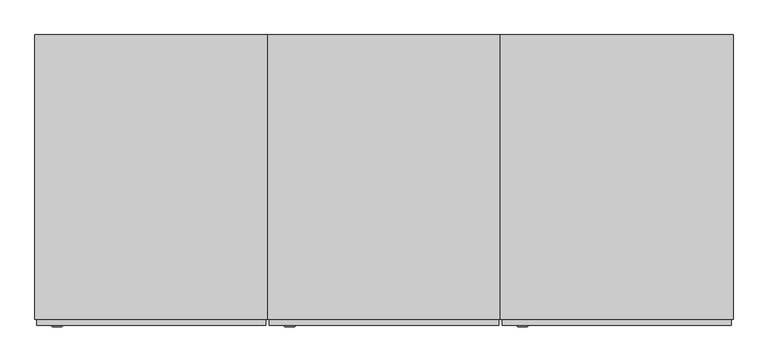
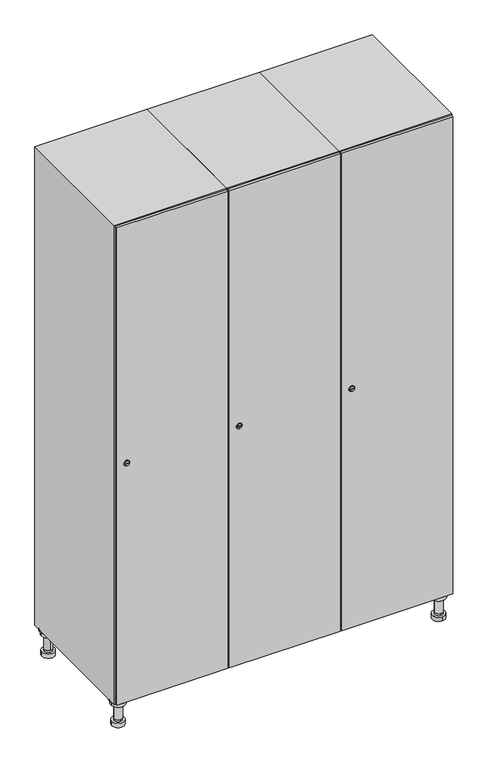
"""IFC4 building model written with IfcOpenShell, lengths in millimetres: furniture geometry."""

from ifc_helpers import new_model, si_unit, point, frame, frame_2d, origin, place, context, project, spatial, polyline, circle_curve, trimmed, segment, composite_curve, outline, extrude, faceted_brep, source, transform, mapped, element, save
from ifc_brep_helpers import plane_surface, cylinder_surface, revolved_surface, advanced_brep


def furniture_90be8033(model_context):
    return source(origin(), model_context, "Body", "SolidModel", [
        advanced_brep(
        [(970.0, -201.0, 22.0), (970.0, -201.5, 16.0), (970.0, -228.5, 16.0), (970.0, -229.0, 22.0), (956.0, -215.0, 22.0), (984.0, -215.0, 22.0), (970.0, -192.5, 16.0), (970.0, -237.5, 16.0), (970.0, -192.5, 0.0), (970.0, -237.5, 0.0), (984.0, -215.0, 78.0), (956.0, -215.0, 78.0), (995.0, -215.0, 78.0), (945.0, -215.0, 78.0), (1000.0, -215.0, 94.0), (940.0, -215.0, 94.0), (945.0, -215.0, 94.0), (995.0, -215.0, 94.0), (1000.0, -215.0, 100.0), (940.0, -215.0, 100.0)],
        [
            (0, 1),
            (1, 2, circle_curve(frame((970.0, -215.0, 16.0), z_axis=(0.0, 0.0, 1.0), x_axis=(0.0, -1.0, 0.0)), 13.5)),
            (2, 3),
            (3, 4, circle_curve(frame((970.0, -215.0, 22.0), z_axis=(0.0, 0.0, -1.0), x_axis=(0.0, -1.0, 0.0)), 14.0)),
            (4, 0, circle_curve(frame((970.0, -215.0, 22.0), z_axis=(0.0, 0.0, -1.0), x_axis=(0.0, -1.0, 0.0)), 14.0)),
            (0, 5, circle_curve(frame((970.0, -215.0, 22.0), z_axis=(0.0, 0.0, -1.0), x_axis=(0.0, 1.0, 0.0)), 14.0)),
            (5, 3, circle_curve(frame((970.0, -215.0, 22.0), z_axis=(0.0, 0.0, -1.0), x_axis=(0.0, 1.0, 0.0)), 14.0)),
            (2, 1, circle_curve(frame((970.0, -215.0, 16.0), z_axis=(0.0, 0.0, 1.0), x_axis=(0.0, 1.0, 0.0)), 13.5)),
            (6, 7, circle_curve(frame((970.0, -215.0, 16.0), z_axis=(0.0, 0.0, 1.0), x_axis=(0.0, -1.0, 0.0)), 22.5)),
            (7, 6, circle_curve(frame((970.0, -215.0, 16.0), z_axis=(0.0, 0.0, 1.0), x_axis=(0.0, -1.0, 0.0)), 22.5)),
            (8, 9, circle_curve(frame((970.0, -215.0, 0.0), z_axis=(0.0, 0.0, -1.0), x_axis=(0.0, -1.0, 0.0)), 22.5)),
            (9, 8, circle_curve(frame((970.0, -215.0, 0.0), z_axis=(0.0, 0.0, -1.0), x_axis=(0.0, -1.0, 0.0)), 22.5)),
            (6, 8),
            (9, 7),
            (5, 10),
            (10, 11, circle_curve(frame((970.0, -215.0, 78.0), z_axis=(0.0, 0.0, -1.0), x_axis=(-1.0, 0.0, 0.0)), 14.0)),
            (11, 4),
            (11, 10, circle_curve(frame((970.0, -215.0, 78.0), z_axis=(0.0, 0.0, -1.0), x_axis=(-1.0, 0.0, 0.0)), 14.0)),
            (12, 13, circle_curve(frame((970.0, -215.0, 78.0), z_axis=(0.0, 0.0, -1.0), x_axis=(-1.0, 0.0, 0.0)), 25.0)),
            (13, 12, circle_curve(frame((970.0, -215.0, 78.0), z_axis=(0.0, 0.0, -1.0), x_axis=(-1.0, 0.0, 0.0)), 25.0)),
            (14, 15, circle_curve(frame((970.0, -215.0, 94.0), z_axis=(0.0, 0.0, -1.0), x_axis=(-1.0, 0.0, 0.0)), 30.0)),
            (15, 14, circle_curve(frame((970.0, -215.0, 94.0), z_axis=(0.0, 0.0, -1.0), x_axis=(-1.0, 0.0, 0.0)), 30.0)),
            (16, 17, circle_curve(frame((970.0, -215.0, 94.0), z_axis=(0.0, 0.0, 1.0), x_axis=(-1.0, 0.0, 0.0)), 25.0)),
            (17, 16, circle_curve(frame((970.0, -215.0, 94.0), z_axis=(0.0, 0.0, 1.0), x_axis=(-1.0, 0.0, 0.0)), 25.0)),
            (18, 19, circle_curve(frame((970.0, -215.0, 100.0), z_axis=(0.0, 0.0, 1.0), x_axis=(-1.0, 0.0, 0.0)), 30.0)),
            (19, 18, circle_curve(frame((970.0, -215.0, 100.0), z_axis=(0.0, 0.0, 1.0), x_axis=(-1.0, 0.0, 0.0)), 30.0)),
            (14, 18),
            (19, 15),
            (12, 17),
            (16, 13),
        ],
        [
            revolved_surface(polyline([(970.0, -201.5, 16.0), (970.0, -201.0, 22.0)]), (970.0, -215.0, -146.0), (0.0, 0.0, 1.0)),
            plane_surface(frame((970.0, 0.0, 16.0), z_axis=(0.0, 0.0, 1.0), x_axis=(0.0, -1.0, 0.0))),
            plane_surface(frame((970.0, 0.0, 0.0), z_axis=(0.0, 0.0, -1.0), x_axis=(0.0, -1.0, 0.0))),
            cylinder_surface(frame((970.0, -215.0, 16.0), z_axis=(0.0, 0.0, 1.0), x_axis=(0.0, -1.0, 0.0)), 22.5),
            cylinder_surface(frame((970.0, -215.0, 22.0), z_axis=(0.0, 0.0, -1.0), x_axis=(-1.0, 0.0, 0.0)), 14.0),
            plane_surface(frame((970.0, 0.0, 78.0), z_axis=(0.0, 0.0, -1.0), x_axis=(0.0, -1.0, 0.0))),
            plane_surface(frame((970.0, 0.0, 94.0), z_axis=(0.0, 0.0, -1.0), x_axis=(0.0, -1.0, 0.0))),
            plane_surface(frame((970.0, 0.0, 100.0), z_axis=(0.0, 0.0, 1.0), x_axis=(0.0, -1.0, 0.0))),
            cylinder_surface(frame((970.0, -215.0, 94.0), z_axis=(0.0, 0.0, -1.0), x_axis=(-1.0, 0.0, 0.0)), 30.0),
            cylinder_surface(frame((970.0, -215.0, 78.0), z_axis=(0.0, 0.0, -1.0), x_axis=(-1.0, 0.0, 0.0)), 25.0),
        ],
        [
            (0, [[1, 2, 3, 4, 5]]),
            (0, [[-1, 6, 7, -3, 8]]),
            (1, [[9, 10], [-2, -8]]),
            (2, [[11, 12]]),
            (3, [[-9, 13, -12, 14]]),
            (3, [[-10, -14, -11, -13]]),
            (4, [[15, 16, 17, -4, -7]]),
            (4, [[-15, -6, -5, -17, 18]]),
            (5, [[19, 20], [-16, -18]]),
            (6, [[21, 22], [23, 24]]),
            (7, [[25, 26]]),
            (8, [[-21, 27, -26, 28]]),
            (8, [[-22, -28, -25, -27]]),
            (9, [[-19, 29, -23, 30]]),
            (9, [[-20, -30, -24, -29]]),
        ],
    ),
        advanced_brep(
        [(-170.0, -201.0, 22.0), (-170.0, -201.5, 16.0), (-170.0, -228.5, 16.0), (-170.0, -229.0, 22.0), (-184.0, -215.0, 22.0), (-156.0, -215.0, 22.0), (-147.5, -215.0, 0.0), (-192.5, -215.0, 0.0), (-147.5, -215.0, 16.0), (-192.5, -215.0, 16.0), (-156.0, -215.0, 78.0), (-184.0, -215.0, 78.0), (-145.0, -215.0, 78.0), (-195.0, -215.0, 78.0), (-140.0, -215.0, 94.0), (-200.0, -215.0, 94.0), (-195.0, -215.0, 94.0), (-145.0, -215.0, 94.0), (-140.0, -215.0, 100.0), (-200.0, -215.0, 100.0)],
        [
            (0, 1),
            (1, 2, circle_curve(frame((-170.0, -215.0, 16.0), z_axis=(0.0, 0.0, 1.0), x_axis=(0.0, -1.0, 0.0)), 13.5)),
            (2, 3),
            (3, 4, circle_curve(frame((-170.0, -215.0, 22.0), z_axis=(0.0, 0.0, -1.0), x_axis=(0.0, -1.0, 0.0)), 14.0)),
            (4, 0, circle_curve(frame((-170.0, -215.0, 22.0), z_axis=(0.0, 0.0, -1.0), x_axis=(0.0, -1.0, 0.0)), 14.0)),
            (0, 5, circle_curve(frame((-170.0, -215.0, 22.0), z_axis=(0.0, 0.0, -1.0), x_axis=(0.0, 1.0, 0.0)), 14.0)),
            (5, 3, circle_curve(frame((-170.0, -215.0, 22.0), z_axis=(0.0, 0.0, -1.0), x_axis=(0.0, 1.0, 0.0)), 14.0)),
            (2, 1, circle_curve(frame((-170.0, -215.0, 16.0), z_axis=(0.0, 0.0, 1.0), x_axis=(0.0, 1.0, 0.0)), 13.5)),
            (6, 7, circle_curve(frame((-170.0, -215.0, 0.0), z_axis=(0.0, 0.0, -1.0), x_axis=(-1.0, 0.0, 0.0)), 22.5)),
            (7, 6, circle_curve(frame((-170.0, -215.0, 0.0), z_axis=(0.0, 0.0, -1.0), x_axis=(-1.0, 0.0, 0.0)), 22.5)),
            (8, 9, circle_curve(frame((-170.0, -215.0, 16.0), z_axis=(0.0, 0.0, 1.0), x_axis=(-1.0, 0.0, 0.0)), 22.5)),
            (9, 8, circle_curve(frame((-170.0, -215.0, 16.0), z_axis=(0.0, 0.0, 1.0), x_axis=(-1.0, 0.0, 0.0)), 22.5)),
            (6, 8),
            (9, 7),
            (5, 10),
            (10, 11, circle_curve(frame((-170.0, -215.0, 78.0), z_axis=(0.0, 0.0, -1.0), x_axis=(-1.0, 0.0, 0.0)), 14.0)),
            (11, 4),
            (11, 10, circle_curve(frame((-170.0, -215.0, 78.0), z_axis=(0.0, 0.0, -1.0), x_axis=(-1.0, 0.0, 0.0)), 14.0)),
            (12, 13, circle_curve(frame((-170.0, -215.0, 78.0), z_axis=(0.0, 0.0, -1.0), x_axis=(-1.0, 0.0, 0.0)), 25.0)),
            (13, 12, circle_curve(frame((-170.0, -215.0, 78.0), z_axis=(0.0, 0.0, -1.0), x_axis=(-1.0, 0.0, 0.0)), 25.0)),
            (14, 15, circle_curve(frame((-170.0, -215.0, 94.0), z_axis=(0.0, 0.0, -1.0), x_axis=(-1.0, 0.0, 0.0)), 30.0)),
            (15, 14, circle_curve(frame((-170.0, -215.0, 94.0), z_axis=(0.0, 0.0, -1.0), x_axis=(-1.0, 0.0, 0.0)), 30.0)),
            (16, 17, circle_curve(frame((-170.0, -215.0, 94.0), z_axis=(0.0, 0.0, 1.0), x_axis=(-1.0, 0.0, 0.0)), 25.0)),
            (17, 16, circle_curve(frame((-170.0, -215.0, 94.0), z_axis=(0.0, 0.0, 1.0), x_axis=(-1.0, 0.0, 0.0)), 25.0)),
            (18, 19, circle_curve(frame((-170.0, -215.0, 100.0), z_axis=(0.0, 0.0, 1.0), x_axis=(-1.0, 0.0, 0.0)), 30.0)),
            (19, 18, circle_curve(frame((-170.0, -215.0, 100.0), z_axis=(0.0, 0.0, 1.0), x_axis=(-1.0, 0.0, 0.0)), 30.0)),
            (14, 18),
            (19, 15),
            (12, 17),
            (16, 13),
        ],
        [
            revolved_surface(polyline([(-170.0, -201.5, 16.0), (-170.0, -201.0, 22.0)]), (-170.0, -215.0, -146.0), (0.0, 0.0, 1.0)),
            plane_surface(frame((-170.0, 0.0, 0.0), z_axis=(0.0, 0.0, -1.0), x_axis=(0.0, -1.0, 0.0))),
            plane_surface(frame((-170.0, 0.0, 16.0), z_axis=(0.0, 0.0, 1.0), x_axis=(0.0, -1.0, 0.0))),
            cylinder_surface(frame((-170.0, -215.0, 0.0), z_axis=(0.0, 0.0, -1.0), x_axis=(-1.0, 0.0, 0.0)), 22.5),
            cylinder_surface(frame((-170.0, -215.0, 22.0), z_axis=(0.0, 0.0, -1.0), x_axis=(-1.0, 0.0, 0.0)), 14.0),
            plane_surface(frame((-170.0, 0.0, 78.0), z_axis=(0.0, 0.0, -1.0), x_axis=(0.0, -1.0, 0.0))),
            plane_surface(frame((-170.0, 0.0, 94.0), z_axis=(0.0, 0.0, -1.0), x_axis=(0.0, -1.0, 0.0))),
            plane_surface(frame((-170.0, 0.0, 100.0), z_axis=(0.0, 0.0, 1.0), x_axis=(0.0, -1.0, 0.0))),
            cylinder_surface(frame((-170.0, -215.0, 94.0), z_axis=(0.0, 0.0, -1.0), x_axis=(-1.0, 0.0, 0.0)), 30.0),
            cylinder_surface(frame((-170.0, -215.0, 78.0), z_axis=(0.0, 0.0, -1.0), x_axis=(-1.0, 0.0, 0.0)), 25.0),
        ],
        [
            (0, [[1, 2, 3, 4, 5]]),
            (0, [[-1, 6, 7, -3, 8]]),
            (1, [[9, 10]]),
            (2, [[11, 12], [-2, -8]]),
            (3, [[-9, 13, -12, 14]]),
            (3, [[-10, -14, -11, -13]]),
            (4, [[15, 16, 17, -4, -7]]),
            (4, [[-15, -6, -5, -17, 18]]),
            (5, [[19, 20], [-16, -18]]),
            (6, [[21, 22], [23, 24]]),
            (7, [[25, 26]]),
            (8, [[-21, 27, -26, 28]]),
            (8, [[-22, -28, -25, -27]]),
            (9, [[-19, 29, -23, 30]]),
            (9, [[-20, -30, -24, -29]]),
        ],
    ),
        advanced_brep(
        [(983.5, 215.0, 16.0), (984.0, 215.0, 22.0), (956.0, 215.0, 22.0), (956.5, 215.0, 16.0), (992.5, 215.0, 0.0), (947.5, 215.0, 0.0), (992.5, 215.0, 16.0), (947.5, 215.0, 16.0), (984.0, 215.0, 78.0), (956.0, 215.0, 78.0), (995.0, 215.0, 78.0), (945.0, 215.0, 78.0), (1000.0, 215.0, 94.0), (940.0, 215.0, 94.0), (945.0, 215.0, 94.0), (995.0, 215.0, 94.0), (1000.0, 215.0, 100.0), (940.0, 215.0, 100.0)],
        [
            (0, 1),
            (1, 2, circle_curve(frame((970.0, 215.0, 22.0), z_axis=(0.0, 0.0, -1.0), x_axis=(-1.0, 0.0, 0.0)), 14.0)),
            (2, 3),
            (3, 0, circle_curve(frame((970.0, 215.0, 16.0), z_axis=(0.0, 0.0, 1.0), x_axis=(-1.0, 0.0, 0.0)), 13.5)),
            (0, 3, circle_curve(frame((970.0, 215.0, 16.0), z_axis=(0.0, 0.0, 1.0), x_axis=(1.0, 0.0, 0.0)), 13.5)),
            (2, 1, circle_curve(frame((970.0, 215.0, 22.0), z_axis=(0.0, 0.0, -1.0), x_axis=(1.0, 0.0, 0.0)), 14.0)),
            (4, 5, circle_curve(frame((970.0, 215.0, 0.0), z_axis=(0.0, 0.0, -1.0), x_axis=(-1.0, 0.0, 0.0)), 22.5)),
            (5, 4, circle_curve(frame((970.0, 215.0, 0.0), z_axis=(0.0, 0.0, -1.0), x_axis=(-1.0, 0.0, 0.0)), 22.5)),
            (6, 7, circle_curve(frame((970.0, 215.0, 16.0), z_axis=(0.0, 0.0, 1.0), x_axis=(-1.0, 0.0, 0.0)), 22.5)),
            (7, 6, circle_curve(frame((970.0, 215.0, 16.0), z_axis=(0.0, 0.0, 1.0), x_axis=(-1.0, 0.0, 0.0)), 22.5)),
            (4, 6),
            (7, 5),
            (1, 8),
            (8, 9, circle_curve(frame((970.0, 215.0, 78.0), z_axis=(0.0, 0.0, -1.0), x_axis=(-1.0, 0.0, 0.0)), 14.0)),
            (9, 2),
            (9, 8, circle_curve(frame((970.0, 215.0, 78.0), z_axis=(0.0, 0.0, -1.0), x_axis=(-1.0, 0.0, 0.0)), 14.0)),
            (10, 11, circle_curve(frame((970.0, 215.0, 78.0), z_axis=(0.0, 0.0, -1.0), x_axis=(-1.0, 0.0, 0.0)), 25.0)),
            (11, 10, circle_curve(frame((970.0, 215.0, 78.0), z_axis=(0.0, 0.0, -1.0), x_axis=(-1.0, 0.0, 0.0)), 25.0)),
            (12, 13, circle_curve(frame((970.0, 215.0, 94.0), z_axis=(0.0, 0.0, -1.0), x_axis=(-1.0, 0.0, 0.0)), 30.0)),
            (13, 12, circle_curve(frame((970.0, 215.0, 94.0), z_axis=(0.0, 0.0, -1.0), x_axis=(-1.0, 0.0, 0.0)), 30.0)),
            (14, 15, circle_curve(frame((970.0, 215.0, 94.0), z_axis=(0.0, 0.0, 1.0), x_axis=(-1.0, 0.0, 0.0)), 25.0)),
            (15, 14, circle_curve(frame((970.0, 215.0, 94.0), z_axis=(0.0, 0.0, 1.0), x_axis=(-1.0, 0.0, 0.0)), 25.0)),
            (16, 17, circle_curve(frame((970.0, 215.0, 100.0), z_axis=(0.0, 0.0, 1.0), x_axis=(-1.0, 0.0, 0.0)), 30.0)),
            (17, 16, circle_curve(frame((970.0, 215.0, 100.0), z_axis=(0.0, 0.0, 1.0), x_axis=(-1.0, 0.0, 0.0)), 30.0)),
            (12, 16),
            (17, 13),
            (10, 15),
            (14, 11),
        ],
        [
            revolved_surface(polyline([(983.5, 215.0, 16.0), (984.0, 215.0, 22.0)]), (970.0, 215.0, -146.0), (0.0, 0.0, 1.0)),
            plane_surface(frame((970.0, 0.0, 0.0), z_axis=(0.0, 0.0, -1.0), x_axis=(0.0, -1.0, 0.0))),
            plane_surface(frame((970.0, 0.0, 16.0), z_axis=(0.0, 0.0, 1.0), x_axis=(0.0, -1.0, 0.0))),
            cylinder_surface(frame((970.0, 215.0, 0.0), z_axis=(0.0, 0.0, -1.0), x_axis=(-1.0, 0.0, 0.0)), 22.5),
            cylinder_surface(frame((970.0, 215.0, 22.0), z_axis=(0.0, 0.0, -1.0), x_axis=(-1.0, 0.0, 0.0)), 14.0),
            plane_surface(frame((970.0, 0.0, 78.0), z_axis=(0.0, 0.0, -1.0), x_axis=(0.0, -1.0, 0.0))),
            plane_surface(frame((970.0, 0.0, 94.0), z_axis=(0.0, 0.0, -1.0), x_axis=(0.0, -1.0, 0.0))),
            plane_surface(frame((970.0, 0.0, 100.0), z_axis=(0.0, 0.0, 1.0), x_axis=(0.0, -1.0, 0.0))),
            cylinder_surface(frame((970.0, 215.0, 94.0), z_axis=(0.0, 0.0, -1.0), x_axis=(-1.0, 0.0, 0.0)), 30.0),
            cylinder_surface(frame((970.0, 215.0, 78.0), z_axis=(0.0, 0.0, -1.0), x_axis=(-1.0, 0.0, 0.0)), 25.0),
        ],
        [
            (0, [[1, 2, 3, 4]]),
            (0, [[-1, 5, -3, 6]]),
            (1, [[7, 8]]),
            (2, [[9, 10], [-4, -5]]),
            (3, [[-7, 11, -10, 12]]),
            (3, [[-8, -12, -9, -11]]),
            (4, [[13, 14, 15, -2]]),
            (4, [[-13, -6, -15, 16]]),
            (5, [[17, 18], [-14, -16]]),
            (6, [[19, 20], [21, 22]]),
            (7, [[23, 24]]),
            (8, [[-19, 25, -24, 26]]),
            (8, [[-20, -26, -23, -25]]),
            (9, [[-17, 27, -21, 28]]),
            (9, [[-18, -28, -22, -27]]),
        ],
    ),
        advanced_brep(
        [(-156.5, 215.0, 16.0), (-156.0, 215.0, 22.0), (-170.0, 201.0, 22.0), (-184.0, 215.0, 22.0), (-183.5, 215.0, 16.0), (-170.0, 229.0, 22.0), (-147.5, 215.0, 0.0), (-192.5, 215.0, 0.0), (-147.5, 215.0, 16.0), (-192.5, 215.0, 16.0), (-170.0, 229.0, 78.0), (-170.0, 201.0, 78.0), (-145.0, 215.0, 78.0), (-195.0, 215.0, 78.0), (-140.0, 215.0, 94.0), (-200.0, 215.0, 94.0), (-195.0, 215.0, 94.0), (-145.0, 215.0, 94.0), (-140.0, 215.0, 100.0), (-200.0, 215.0, 100.0)],
        [
            (0, 1),
            (1, 2, circle_curve(frame((-170.0, 215.0, 22.0), z_axis=(0.0, 0.0, -1.0), x_axis=(-1.0, 0.0, 0.0)), 14.0)),
            (2, 3, circle_curve(frame((-170.0, 215.0, 22.0), z_axis=(0.0, 0.0, -1.0), x_axis=(-1.0, 0.0, 0.0)), 14.0)),
            (3, 4),
            (4, 0, circle_curve(frame((-170.0, 215.0, 16.0), z_axis=(0.0, 0.0, 1.0), x_axis=(-1.0, 0.0, 0.0)), 13.5)),
            (0, 4, circle_curve(frame((-170.0, 215.0, 16.0), z_axis=(0.0, 0.0, 1.0), x_axis=(1.0, 0.0, 0.0)), 13.5)),
            (3, 5, circle_curve(frame((-170.0, 215.0, 22.0), z_axis=(0.0, 0.0, -1.0), x_axis=(1.0, 0.0, 0.0)), 14.0)),
            (5, 1, circle_curve(frame((-170.0, 215.0, 22.0), z_axis=(0.0, 0.0, -1.0), x_axis=(1.0, 0.0, 0.0)), 14.0)),
            (6, 7, circle_curve(frame((-170.0, 215.0, 0.0), z_axis=(0.0, 0.0, -1.0), x_axis=(-1.0, 0.0, 0.0)), 22.5)),
            (7, 6, circle_curve(frame((-170.0, 215.0, 0.0), z_axis=(0.0, 0.0, -1.0), x_axis=(-1.0, 0.0, 0.0)), 22.5)),
            (8, 9, circle_curve(frame((-170.0, 215.0, 16.0), z_axis=(0.0, 0.0, 1.0), x_axis=(-1.0, 0.0, 0.0)), 22.5)),
            (9, 8, circle_curve(frame((-170.0, 215.0, 16.0), z_axis=(0.0, 0.0, 1.0), x_axis=(-1.0, 0.0, 0.0)), 22.5)),
            (6, 8),
            (9, 7),
            (10, 5),
            (2, 11),
            (11, 10, circle_curve(frame((-170.0, 215.0, 78.0), z_axis=(0.0, 0.0, -1.0), x_axis=(0.0, -1.0, 0.0)), 14.0)),
            (10, 11, circle_curve(frame((-170.0, 215.0, 78.0), z_axis=(0.0, 0.0, -1.0), x_axis=(0.0, -1.0, 0.0)), 14.0)),
            (12, 13, circle_curve(frame((-170.0, 215.0, 78.0), z_axis=(0.0, 0.0, -1.0), x_axis=(-1.0, 0.0, 0.0)), 25.0)),
            (13, 12, circle_curve(frame((-170.0, 215.0, 78.0), z_axis=(0.0, 0.0, -1.0), x_axis=(-1.0, 0.0, 0.0)), 25.0)),
            (14, 15, circle_curve(frame((-170.0, 215.0, 94.0), z_axis=(0.0, 0.0, -1.0), x_axis=(-1.0, 0.0, 0.0)), 30.0)),
            (15, 14, circle_curve(frame((-170.0, 215.0, 94.0), z_axis=(0.0, 0.0, -1.0), x_axis=(-1.0, 0.0, 0.0)), 30.0)),
            (16, 17, circle_curve(frame((-170.0, 215.0, 94.0), z_axis=(0.0, 0.0, 1.0), x_axis=(-1.0, 0.0, 0.0)), 25.0)),
            (17, 16, circle_curve(frame((-170.0, 215.0, 94.0), z_axis=(0.0, 0.0, 1.0), x_axis=(-1.0, 0.0, 0.0)), 25.0)),
            (18, 19, circle_curve(frame((-170.0, 215.0, 100.0), z_axis=(0.0, 0.0, 1.0), x_axis=(-1.0, 0.0, 0.0)), 30.0)),
            (19, 18, circle_curve(frame((-170.0, 215.0, 100.0), z_axis=(0.0, 0.0, 1.0), x_axis=(-1.0, 0.0, 0.0)), 30.0)),
            (14, 18),
            (19, 15),
            (12, 17),
            (16, 13),
        ],
        [
            revolved_surface(polyline([(-156.5, 215.0, 16.0), (-156.0, 215.0, 22.0)]), (-170.0, 215.0, -146.0), (0.0, 0.0, 1.0)),
            plane_surface(frame((-170.0, 0.0, 0.0), z_axis=(0.0, 0.0, -1.0), x_axis=(0.0, -1.0, 0.0))),
            plane_surface(frame((-170.0, 0.0, 16.0), z_axis=(0.0, 0.0, 1.0), x_axis=(0.0, -1.0, 0.0))),
            cylinder_surface(frame((-170.0, 215.0, 0.0), z_axis=(0.0, 0.0, -1.0), x_axis=(-1.0, 0.0, 0.0)), 22.5),
            cylinder_surface(frame((-170.0, 215.0, 78.0), z_axis=(0.0, 0.0, 1.0), x_axis=(0.0, -1.0, 0.0)), 14.0),
            plane_surface(frame((-170.0, 0.0, 78.0), z_axis=(0.0, 0.0, -1.0), x_axis=(0.0, -1.0, 0.0))),
            plane_surface(frame((-170.0, 0.0, 94.0), z_axis=(0.0, 0.0, -1.0), x_axis=(0.0, -1.0, 0.0))),
            plane_surface(frame((-170.0, 0.0, 100.0), z_axis=(0.0, 0.0, 1.0), x_axis=(0.0, -1.0, 0.0))),
            cylinder_surface(frame((-170.0, 215.0, 94.0), z_axis=(0.0, 0.0, -1.0), x_axis=(-1.0, 0.0, 0.0)), 30.0),
            cylinder_surface(frame((-170.0, 215.0, 78.0), z_axis=(0.0, 0.0, -1.0), x_axis=(-1.0, 0.0, 0.0)), 25.0),
        ],
        [
            (0, [[1, 2, 3, 4, 5]]),
            (0, [[-1, 6, -4, 7, 8]]),
            (1, [[9, 10]]),
            (2, [[11, 12], [-5, -6]]),
            (3, [[-9, 13, -12, 14]]),
            (3, [[-10, -14, -11, -13]]),
            (4, [[15, -7, -3, 16, 17]]),
            (4, [[-15, 18, -16, -2, -8]]),
            (5, [[19, 20], [-17, -18]]),
            (6, [[21, 22], [23, 24]]),
            (7, [[25, 26]]),
            (8, [[-21, 27, -26, 28]]),
            (8, [[-22, -28, -25, -27]]),
            (9, [[-19, 29, -23, 30]]),
            (9, [[-20, -30, -24, -29]]),
        ],
    ),
        extrude(outline(composite_curve([segment(trimmed(circle_curve(frame_2d((1000.0, 611.2010534)), 7.0), [point((1007.0, 611.2010534))], [point((993.0, 611.2010534))], False, "CARTESIAN"), True, "CONTINUOUS"), segment(polyline([(993.0, 611.2010534), (993.0, 639.2010534)]), True, "CONTINUOUS"), segment(trimmed(circle_curve(frame_2d((1000.0, 639.2010534)), 7.0), [point((993.0, 639.2010534))], [point((1007.0, 639.2010534))], False, "CARTESIAN"), True, "CONTINUOUS"), segment(polyline([(1007.0, 639.2010534), (1007.0, 611.2010534)]), True, "CONTINUOUS")], self_intersect=False)), frame((0.0, -245.0, 0.0), z_axis=(0.0, 1.0, 0.0), x_axis=(0.0, 0.0, 1.0)), (0.0, 0.0, 1.0), 2.0),
        advanced_brep(
        [(646.5, -257.2, 1000.0), (629.5, -257.2, 1000.0), (633.0, -257.2, 998.75), (633.0, -257.2, 1001.25), (643.0, -257.2, 1001.25), (643.0, -257.2, 998.75), (648.5, -255.0, 1000.0), (627.5, -255.0, 1000.0), (633.0, -255.0, 1001.25), (633.0, -255.0, 998.75), (643.0, -255.0, 998.75), (643.0, -255.0, 1001.25)],
        [
            (0, 1, circle_curve(frame((638.0, -257.2, 1000.0), z_axis=(0.0, -1.0, 0.0), x_axis=(1.0, 0.0, 0.0)), 8.5)),
            (1, 0, circle_curve(frame((638.0, -257.2, 1000.0), z_axis=(0.0, -1.0, 0.0), x_axis=(-1.0, 0.0, 0.0)), 8.5)),
            (2, 3),
            (3, 4),
            (4, 5),
            (5, 2),
            (6, 7, circle_curve(frame((638.0, -255.0, 1000.0), z_axis=(0.0, 1.0, 0.0), x_axis=(-1.0, 0.0, 0.0)), 10.5)),
            (7, 6, circle_curve(frame((638.0, -255.0, 1000.0), z_axis=(0.0, 1.0, 0.0), x_axis=(1.0, 0.0, 0.0)), 10.5)),
            (8, 9),
            (9, 10),
            (10, 11),
            (11, 8),
            (0, 6),
            (7, 1),
            (8, 3),
            (2, 9),
            (11, 4),
            (10, 5),
        ],
        [
            plane_surface(frame((638.0, -257.2, 1000.0), z_axis=(0.0, -1.0, 0.0), x_axis=(0.0, 0.0, 1.0))),
            plane_surface(frame((638.0, -255.0, 1000.0), z_axis=(0.0, 1.0, 0.0), x_axis=(0.0, 0.0, 1.0))),
            revolved_surface(polyline([(646.5, -257.2, 1000.0), (648.5, -255.0, 1000.0)]), (638.0, -266.55, 1000.0), (0.0, 1.0, 0.0)),
            revolved_surface(polyline([(629.5, -257.2, 1000.0), (627.5, -255.0, 1000.0)]), (638.0, -266.55, 1000.0), (0.0, 1.0, 0.0)),
            plane_surface(frame((633.0, -255.0, 998.75), z_axis=(1.0, 0.0, 0.0), x_axis=(0.0, -1.0, 0.0))),
            plane_surface(frame((633.0, -255.0, 1001.25), z_axis=(0.0, 0.0, -1.0), x_axis=(0.0, -1.0, 0.0))),
            plane_surface(frame((643.0, -255.0, 1001.25), z_axis=(-1.0, 0.0, 0.0), x_axis=(0.0, -1.0, 0.0))),
            plane_surface(frame((643.0, -255.0, 998.75), z_axis=(0.0, 0.0, 1.0), x_axis=(0.0, -1.0, 0.0))),
        ],
        [
            (0, [[1, 2], [3, 4, 5, 6]]),
            (1, [[7, 8], [9, 10, 11, 12]]),
            (2, [[-1, 13, -8, 14]]),
            (3, [[-2, -14, -7, -13]]),
            (4, [[15, -3, 16, -9]]),
            (5, [[-15, -12, 17, -4]]),
            (6, [[-17, -11, 18, -5]]),
            (7, [[-16, -6, -18, -10]]),
        ],
    ),
        extrude(outline(polyline([(997.0, -245.0), (997.0, -255.0), (603.0, -255.0), (603.0, -245.0), (997.0, -245.0)])), frame((0.0, 0.0, 103.0), z_axis=(0.0, 0.0, 1.0), x_axis=(1.0, 0.0, 0.0)), (0.0, 0.0, 1.0), 1794.0),
        faceted_brep([(1000.0, -245.0, 100.0), (1000.0, -245.0, 1900.0), (600.0, -245.0, 1900.0), (600.0, -245.0, 100.0), (990.0, -245.0, 1890.0), (990.0, -245.0, 110.0), (610.0, -245.0, 110.0), (610.0, -245.0, 1890.0), (1000.0, 245.0, 100.0), (600.0, 245.0, 100.0), (1000.0, 245.0, 1900.0), (600.0, 245.0, 1900.0), (990.0, 241.0, 1890.0), (990.0, 241.0, 110.0), (600.0, 245.0, 1890.0), (610.0, 241.0, 1890.0), (610.0, 241.0, 110.0)], [[[0, 1, 2, 3], [4, 5, 6, 7]], [[8, 0, 3, 9]], [[1, 0, 8, 10]], [[1, 10, 11, 2]], [[4, 12, 13, 5]], [[9, 3, 2, 11, 14]], [[10, 8, 9, 14, 11]], [[12, 15, 16, 13]], [[15, 7, 6, 16]], [[4, 7, 15, 12]], [[6, 5, 13, 16]]]),
        extrude(outline(composite_curve([segment(trimmed(circle_curve(frame_2d((1000.0, 211.2010534)), 7.0), [point((1007.0, 211.2010534))], [point((993.0, 211.2010534))], False, "CARTESIAN"), True, "CONTINUOUS"), segment(polyline([(993.0, 211.2010534), (993.0, 239.2010534)]), True, "CONTINUOUS"), segment(trimmed(circle_curve(frame_2d((1000.0, 239.2010534)), 7.0), [point((993.0, 239.2010534))], [point((1007.0, 239.2010534))], False, "CARTESIAN"), True, "CONTINUOUS"), segment(polyline([(1007.0, 239.2010534), (1007.0, 211.2010534)]), True, "CONTINUOUS")], self_intersect=False)), frame((0.0, -245.0, 0.0), z_axis=(0.0, 1.0, 0.0), x_axis=(0.0, 0.0, 1.0)), (0.0, 0.0, 1.0), 2.0),
        advanced_brep(
        [(246.5, -257.2, 1000.0), (229.5, -257.2, 1000.0), (233.0, -257.2, 998.75), (233.0, -257.2, 1001.25), (243.0, -257.2, 1001.25), (243.0, -257.2, 998.75), (248.5, -255.0, 1000.0), (227.5, -255.0, 1000.0), (233.0, -255.0, 1001.25), (233.0, -255.0, 998.75), (243.0, -255.0, 998.75), (243.0, -255.0, 1001.25)],
        [
            (0, 1, circle_curve(frame((238.0, -257.2, 1000.0), z_axis=(0.0, -1.0, 0.0), x_axis=(1.0, 0.0, 0.0)), 8.5)),
            (1, 0, circle_curve(frame((238.0, -257.2, 1000.0), z_axis=(0.0, -1.0, 0.0), x_axis=(-1.0, 0.0, 0.0)), 8.5)),
            (2, 3),
            (3, 4),
            (4, 5),
            (5, 2),
            (6, 7, circle_curve(frame((238.0, -255.0, 1000.0), z_axis=(0.0, 1.0, 0.0), x_axis=(-1.0, 0.0, 0.0)), 10.5)),
            (7, 6, circle_curve(frame((238.0, -255.0, 1000.0), z_axis=(0.0, 1.0, 0.0), x_axis=(1.0, 0.0, 0.0)), 10.5)),
            (8, 9),
            (9, 10),
            (10, 11),
            (11, 8),
            (0, 6),
            (7, 1),
            (8, 3),
            (2, 9),
            (11, 4),
            (10, 5),
        ],
        [
            plane_surface(frame((238.0, -257.2, 1000.0), z_axis=(0.0, -1.0, 0.0), x_axis=(0.0, 0.0, 1.0))),
            plane_surface(frame((238.0, -255.0, 1000.0), z_axis=(0.0, 1.0, 0.0), x_axis=(0.0, 0.0, 1.0))),
            revolved_surface(polyline([(246.5, -257.2, 1000.0), (248.5, -255.0, 1000.0)]), (238.0, -266.55, 1000.0), (0.0, 1.0, 0.0)),
            revolved_surface(polyline([(229.5, -257.2, 1000.0), (227.5, -255.0, 1000.0)]), (238.0, -266.55, 1000.0), (0.0, 1.0, 0.0)),
            plane_surface(frame((233.0, -255.0, 998.75), z_axis=(1.0, 0.0, 0.0), x_axis=(0.0, -1.0, 0.0))),
            plane_surface(frame((233.0, -255.0, 1001.25), z_axis=(0.0, 0.0, -1.0), x_axis=(0.0, -1.0, 0.0))),
            plane_surface(frame((243.0, -255.0, 1001.25), z_axis=(-1.0, 0.0, 0.0), x_axis=(0.0, -1.0, 0.0))),
            plane_surface(frame((243.0, -255.0, 998.75), z_axis=(0.0, 0.0, 1.0), x_axis=(0.0, -1.0, 0.0))),
        ],
        [
            (0, [[1, 2], [3, 4, 5, 6]]),
            (1, [[7, 8], [9, 10, 11, 12]]),
            (2, [[-1, 13, -8, 14]]),
            (3, [[-2, -14, -7, -13]]),
            (4, [[15, -3, 16, -9]]),
            (5, [[-15, -12, 17, -4]]),
            (6, [[-17, -11, 18, -5]]),
            (7, [[-16, -6, -18, -10]]),
        ],
    ),
        extrude(outline(polyline([(597.0, -245.0), (597.0, -255.0), (203.0, -255.0), (203.0, -245.0), (597.0, -245.0)])), frame((0.0, 0.0, 103.0), z_axis=(0.0, 0.0, 1.0), x_axis=(1.0, 0.0, 0.0)), (0.0, 0.0, 1.0), 1794.0),
        faceted_brep([(600.0, -245.0, 100.0), (600.0, -245.0, 1900.0), (200.0, -245.0, 1900.0), (200.0, -245.0, 100.0), (590.0, -245.0, 1890.0), (590.0, -245.0, 110.0), (210.0, -245.0, 110.0), (210.0, -245.0, 1890.0), (600.0, 245.0, 100.0), (200.0, 245.0, 100.0), (600.0, 245.0, 1900.0), (200.0, 245.0, 1900.0), (590.0, 241.0, 1890.0), (590.0, 241.0, 110.0), (200.0, 245.0, 1890.0), (210.0, 241.0, 1890.0), (210.0, 241.0, 110.0)], [[[0, 1, 2, 3], [4, 5, 6, 7]], [[8, 0, 3, 9]], [[1, 0, 8, 10]], [[1, 10, 11, 2]], [[4, 12, 13, 5]], [[9, 3, 2, 11, 14]], [[10, 8, 9, 14, 11]], [[12, 15, 16, 13]], [[15, 7, 6, 16]], [[4, 7, 15, 12]], [[6, 5, 13, 16]]]),
        extrude(outline(composite_curve([segment(trimmed(circle_curve(frame_2d((1000.0, -188.7989466)), 7.0), [point((1007.0, -188.7989466))], [point((993.0, -188.7989466))], False, "CARTESIAN"), True, "CONTINUOUS"), segment(polyline([(993.0, -188.7989466), (993.0, -160.7989466)]), True, "CONTINUOUS"), segment(trimmed(circle_curve(frame_2d((1000.0, -160.7989466)), 7.0), [point((993.0, -160.7989466))], [point((1007.0, -160.7989466))], False, "CARTESIAN"), True, "CONTINUOUS"), segment(polyline([(1007.0, -160.7989466), (1007.0, -188.7989466)]), True, "CONTINUOUS")], self_intersect=False)), frame((0.0, -245.0, 0.0), z_axis=(0.0, 1.0, 0.0), x_axis=(0.0, 0.0, 1.0)), (0.0, 0.0, 1.0), 2.0),
        advanced_brep(
        [(-153.5, -257.2, 1000.0), (-170.5, -257.2, 1000.0), (-167.0, -257.2, 998.75), (-167.0, -257.2, 1001.25), (-157.0, -257.2, 1001.25), (-157.0, -257.2, 998.75), (-151.5, -255.0, 1000.0), (-172.5, -255.0, 1000.0), (-167.0, -255.0, 1001.25), (-167.0, -255.0, 998.75), (-157.0, -255.0, 998.75), (-157.0, -255.0, 1001.25)],
        [
            (0, 1, circle_curve(frame((-162.0, -257.2, 1000.0), z_axis=(0.0, -1.0, 0.0), x_axis=(1.0, 0.0, 0.0)), 8.5)),
            (1, 0, circle_curve(frame((-162.0, -257.2, 1000.0), z_axis=(0.0, -1.0, 0.0), x_axis=(-1.0, 0.0, 0.0)), 8.5)),
            (2, 3),
            (3, 4),
            (4, 5),
            (5, 2),
            (6, 7, circle_curve(frame((-162.0, -255.0, 1000.0), z_axis=(0.0, 1.0, 0.0), x_axis=(-1.0, 0.0, 0.0)), 10.5)),
            (7, 6, circle_curve(frame((-162.0, -255.0, 1000.0), z_axis=(0.0, 1.0, 0.0), x_axis=(1.0, 0.0, 0.0)), 10.5)),
            (8, 9),
            (9, 10),
            (10, 11),
            (11, 8),
            (0, 6),
            (7, 1),
            (8, 3),
            (2, 9),
            (11, 4),
            (10, 5),
        ],
        [
            plane_surface(frame((-162.0, -257.2, 1000.0), z_axis=(0.0, -1.0, 0.0), x_axis=(0.0, 0.0, 1.0))),
            plane_surface(frame((-162.0, -255.0, 1000.0), z_axis=(0.0, 1.0, 0.0), x_axis=(0.0, 0.0, 1.0))),
            revolved_surface(polyline([(-153.5, -257.2, 1000.0), (-151.5, -255.0, 1000.0)]), (-162.0, -266.55, 1000.0), (0.0, 1.0, 0.0)),
            revolved_surface(polyline([(-170.5, -257.2, 1000.0), (-172.5, -255.0, 1000.0)]), (-162.0, -266.55, 1000.0), (0.0, 1.0, 0.0)),
            plane_surface(frame((-167.0, -255.0, 998.75), z_axis=(1.0, 0.0, 0.0), x_axis=(0.0, -1.0, 0.0))),
            plane_surface(frame((-167.0, -255.0, 1001.25), z_axis=(0.0, 0.0, -1.0), x_axis=(0.0, -1.0, 0.0))),
            plane_surface(frame((-157.0, -255.0, 1001.25), z_axis=(-1.0, 0.0, 0.0), x_axis=(0.0, -1.0, 0.0))),
            plane_surface(frame((-157.0, -255.0, 998.75), z_axis=(0.0, 0.0, 1.0), x_axis=(0.0, -1.0, 0.0))),
        ],
        [
            (0, [[1, 2], [3, 4, 5, 6]]),
            (1, [[7, 8], [9, 10, 11, 12]]),
            (2, [[-1, 13, -8, 14]]),
            (3, [[-2, -14, -7, -13]]),
            (4, [[15, -3, 16, -9]]),
            (5, [[-15, -12, 17, -4]]),
            (6, [[-17, -11, 18, -5]]),
            (7, [[-16, -6, -18, -10]]),
        ],
    ),
        extrude(outline(polyline([(197.0, -245.0), (197.0, -255.0), (-197.0, -255.0), (-197.0, -245.0), (197.0, -245.0)])), frame((0.0, 0.0, 103.0), z_axis=(0.0, 0.0, 1.0), x_axis=(1.0, 0.0, 0.0)), (0.0, 0.0, 1.0), 1794.0),
        faceted_brep([(200.0, -245.0, 100.0), (200.0, -245.0, 1900.0), (-200.0, -245.0, 1900.0), (-200.0, -245.0, 100.0), (190.0, -245.0, 1890.0), (190.0, -245.0, 110.0), (-190.0, -245.0, 110.0), (-190.0, -245.0, 1890.0), (200.0, 245.0, 100.0), (-200.0, 245.0, 100.0), (200.0, 245.0, 1900.0), (-200.0, 245.0, 1900.0), (190.0, 241.0, 1890.0), (190.0, 241.0, 110.0), (-200.0, 245.0, 1890.0), (-190.0, 241.0, 1890.0), (-190.0, 241.0, 110.0)], [[[0, 1, 2, 3], [4, 5, 6, 7]], [[8, 0, 3, 9]], [[1, 0, 8, 10]], [[1, 10, 11, 2]], [[4, 12, 13, 5]], [[9, 3, 2, 11, 14]], [[10, 8, 9, 14, 11]], [[12, 15, 16, 13]], [[15, 7, 6, 16]], [[4, 7, 15, 12]], [[6, 5, 13, 16]]]),
    ])


if __name__ == "__main__":
    model = new_model("IFC4")
    model_context = context("Model", 3, world=origin())
    ifc_project = project(units=[si_unit("LENGTHUNIT", "METRE", prefix="MILLI")], contexts=[model_context])
    site = spatial("IfcSite", under=ifc_project)
    building = spatial("IfcBuilding", under=site)
    placement = place(None, origin())
    furniture_shape = furniture_90be8033(model_context)
    element("IfcFurniture", 1, at=placement, inside=building, context=model_context, shape_type="MappedRepresentation", body=[
        mapped(furniture_shape, transform((0.0, 0.0, 0.0), x_axis=(1.0, 0.0, 0.0), y_axis=(0.0, 1.0, 0.0), z_axis=(0.0, 0.0, 1.0))),
    ])
    save(model, "model.ifc")
